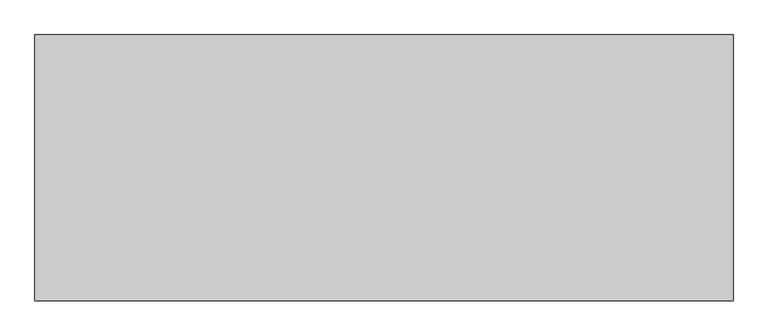
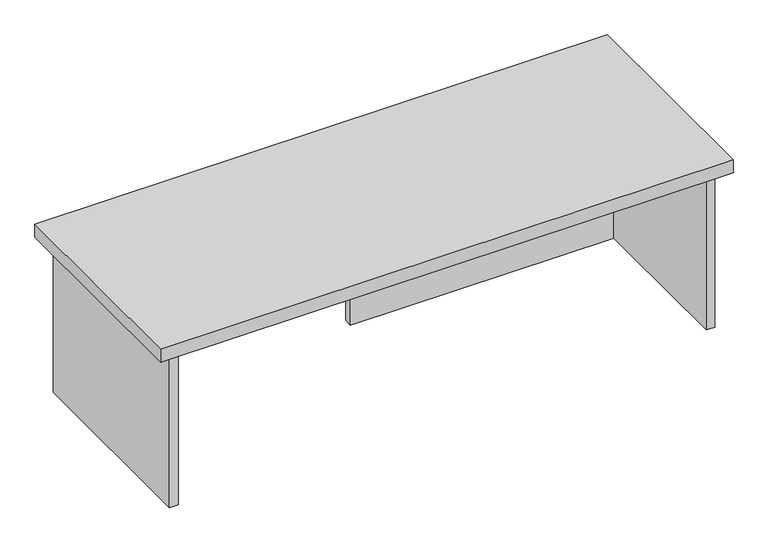
"""IFC4 building model written with IfcOpenShell, lengths in millimetres: furniture geometry."""

import ifcopenshell
import ifcopenshell.guid

model = None  # the IFC model being written
_history = None  # IfcOwnerHistory: only IFC2X3 demands one
_inside = {}  # id of a spatial element -> (the spatial element, [elements in it])
_under = {}  # id of a project, library or spatial element -> (it, [spatial elements below it])
_declared = {}  # id of a project -> (the project, [libraries it declares])
_typed = {}  # id of a type object -> (the type object, [elements of that type])
_made_of = {}  # id of a material, layer set ... -> (it, [elements and type objects made of it])


def new_model(schema):
    """Start an empty IFC model of exactly this schema.

    Asked for "IFC4X3", IfcOpenShell would pick the latest addendum, in which some entities
    have other attributes; the version numbers below select the first issue.
    IFC2X3 requires an IfcOwnerHistory on every rooted entity: one is made here for all.
    """
    global model, _history
    if schema == "IFC4X3":
        model = ifcopenshell.file(schema_version=(4, 3, 0, 0))
    else:
        model = ifcopenshell.file(schema=schema)
    _inside.clear()
    _under.clear()
    _declared.clear()
    _typed.clear()
    _made_of.clear()
    _history = None
    if model.schema == "IFC2X3":
        org = make("IfcOrganization", Name="unknown")
        user = make(
            "IfcPersonAndOrganization",
            ThePerson=make("IfcPerson", FamilyName="unknown"),
            TheOrganization=org,
        )
        app = make(
            "IfcApplication",
            ApplicationDeveloper=org,
            Version="unknown",
            ApplicationFullName="unknown",
            ApplicationIdentifier="unknown",
        )
        _history = make(
            "IfcOwnerHistory",
            OwningUser=user,
            OwningApplication=app,
            ChangeAction="ADDED",
            CreationDate=0,
        )
    return model


def make(cls, **values):
    """One entity of the class cls with the attributes given. An attribute that is None is left unset."""
    return model.create_entity(
        cls, **{name: value for name, value in values.items() if value is not None}
    )


def rooted(cls, **values):
    """An entity with a GlobalId (a new one), such as an element, a storey or a relation."""
    return make(cls, GlobalId=ifcopenshell.guid.new(), OwnerHistory=_history, **values)


def si_unit(unit_type, name, prefix=None):
    """IfcSIUnit, for example si_unit("LENGTHUNIT", "METRE", prefix="MILLI")."""
    return make("IfcSIUnit", UnitType=unit_type, Prefix=prefix, Name=name)


def assignment(units):
    """IfcUnitAssignment: the units of a project."""
    return None if units is None else make("IfcUnitAssignment", Units=units)


def point(xyz):
    """IfcCartesianPoint."""
    return None if xyz is None else make("IfcCartesianPoint", Coordinates=xyz)


def direction(xyz):
    """IfcDirection."""
    return None if xyz is None else make("IfcDirection", DirectionRatios=xyz)


def frame(location, z_axis=None, x_axis=None):
    """IfcAxis2Placement3D, a coordinate frame: its origin and axes. An axis left out is left unset."""
    return make(
        "IfcAxis2Placement3D",
        Location=point(location),
        Axis=direction(z_axis),
        RefDirection=direction(x_axis),
    )


def origin():
    """The frame at (0, 0, 0) with its axes left unset."""
    return frame((0.0, 0.0, 0.0))


def place(relative_to, where):
    """IfcLocalPlacement: puts the frame where relative to a parent placement (None: the world)."""
    return make(
        "IfcLocalPlacement", PlacementRelTo=relative_to, RelativePlacement=where
    )


def context(
    kind, dimensions, precision=None, world=None, true_north=None, identifier=None
):
    """IfcGeometricRepresentationContext, for example the 3D "Model" context."""
    return make(
        "IfcGeometricRepresentationContext",
        ContextIdentifier=identifier,
        ContextType=kind,
        CoordinateSpaceDimension=dimensions,
        Precision=precision,
        WorldCoordinateSystem=world,
        TrueNorth=true_north,
    )


def project(units=None, contexts=None):
    """IfcProject with its units and contexts."""
    return rooted(
        "IfcProject",
        Name="project",
        RepresentationContexts=contexts,
        UnitsInContext=assignment(units),
    )


def spatial(cls, under=None, at=None, **own):
    """A site, building, storey or space (cls), placed at a placement, below another one or the project."""
    s = rooted(cls, ObjectPlacement=at, **own)
    if under is not None:
        _under.setdefault(under.id(), (under, []))[1].append(s)
    return s


def polyline(points):
    """IfcPolyline through the points."""
    return make("IfcPolyline", Points=[point(p) for p in points])


def outline(outer, holes=None, kind="AREA"):
    """IfcArbitraryClosedProfileDef: a profile drawn as a closed curve; with holes, ...WithVoids."""
    if holes is None:
        return make("IfcArbitraryClosedProfileDef", ProfileType=kind, OuterCurve=outer)
    return make(
        "IfcArbitraryProfileDefWithVoids",
        ProfileType=kind,
        OuterCurve=outer,
        InnerCurves=holes,
    )


def extrude(swept, where, along, depth):
    """IfcExtrudedAreaSolid: the profile swept, set in the frame where, extruded along a direction by depth."""
    return make(
        "IfcExtrudedAreaSolid",
        SweptArea=swept,
        Position=where,
        ExtrudedDirection=direction(along),
        Depth=depth,
    )


def shape(context_of_items, identifier, shape_type, items):
    """IfcShapeRepresentation: the items that make up one representation, for example the "Body"."""
    return make(
        "IfcShapeRepresentation",
        ContextOfItems=context_of_items,
        RepresentationIdentifier=identifier,
        RepresentationType=shape_type,
        Items=items,
    )


def source(mapping_origin, context_of_items, identifier, shape_type, items):
    """IfcRepresentationMap: a shape defined once, which mapped items show again and again."""
    return make(
        "IfcRepresentationMap",
        MappingOrigin=mapping_origin,
        MappedRepresentation=shape(context_of_items, identifier, shape_type, items),
    )


def transform(
    local_origin,
    x_axis=None,
    y_axis=None,
    z_axis=None,
    scale=None,
    scale2=None,
    scale3=None,
    uniform=True,
):
    """IfcCartesianTransformationOperator3D, or its non-uniform kind. x_axis, y_axis, z_axis: its Axis1, 2, 3."""
    if uniform:
        return make(
            "IfcCartesianTransformationOperator3D",
            Axis1=direction(x_axis),
            Axis2=direction(y_axis),
            LocalOrigin=point(local_origin),
            Scale=scale,
            Axis3=direction(z_axis),
        )
    return make(
        "IfcCartesianTransformationOperator3DnonUniform",
        Axis1=direction(x_axis),
        Axis2=direction(y_axis),
        LocalOrigin=point(local_origin),
        Scale=scale,
        Axis3=direction(z_axis),
        Scale2=scale2,
        Scale3=scale3,
    )


def mapped(mapping_source, mapping_target):
    """IfcMappedItem: shows the shape of a source again, moved by a transform."""
    return make(
        "IfcMappedItem", MappingSource=mapping_source, MappingTarget=mapping_target
    )


def made_of(thing, what):
    """Note that an element or type object is made of a material, layer set ...; save() writes the relation."""
    if what is not None:
        _made_of.setdefault(what.id(), (what, []))[1].append(thing)
    return thing


def element(
    cls,
    number,
    at=None,
    inside=None,
    cuts=None,
    type_object=None,
    material=None,
    context=None,
    identifier="Body",
    shape_type=None,
    held_by="IfcProductDefinitionShape",
    body=None,
    shapes=None,
    **own,
):
    """One element of the class cls, such as IfcWall. Its Tag is "e" and its number.

    at: its placement. inside: the storey or other place that contains it. cuts: it is an
    opening in that element (IfcRelVoidsElement). A single representation is given by context,
    identifier, shape_type and body (its items); several are given by shapes. held_by: the class
    of the entity that holds the representations. save() writes the other relations.
    """
    e = rooted(cls, Tag="e%d" % number, ObjectPlacement=at, **own)
    if body is not None:
        shapes = [shape(context, identifier, shape_type, body)]
    if shapes is not None:
        e.Representation = make(held_by, Representations=shapes)
    if inside is not None:
        _inside.setdefault(inside.id(), (inside, []))[1].append(e)
    if cuts is not None:
        rooted(
            "IfcRelVoidsElement", RelatingBuildingElement=cuts, RelatedOpeningElement=e
        )
    if type_object is not None:
        _typed.setdefault(type_object.id(), (type_object, []))[1].append(e)
    return made_of(e, material)


def aggregate(whole, parts):
    """IfcRelAggregates: a whole, such as a stair, and the parts it consists of."""
    return rooted("IfcRelAggregates", RelatingObject=whole, RelatedObjects=parts)


def save(model, path):
    """Write the relations noted so far, then the file.

    IfcRelAggregates (storeys below a building ...), IfcRelContainedInSpatialStructure (elements
    in a storey), IfcRelDefinesByType, IfcRelAssociatesMaterial and IfcRelDeclares: one each for
    every whole, place, type object, material and project.
    """
    for whole, parts in _under.values():
        aggregate(whole, parts)
    for where, things in _inside.values():
        rooted(
            "IfcRelContainedInSpatialStructure",
            RelatedElements=things,
            RelatingStructure=where,
        )
    for kind, things in _typed.values():
        rooted("IfcRelDefinesByType", RelatedObjects=things, RelatingType=kind)
    for what, things in _made_of.values():
        rooted("IfcRelAssociatesMaterial", RelatedObjects=things, RelatingMaterial=what)
    for by, libraries in _declared.values():
        rooted("IfcRelDeclares", RelatingContext=by, RelatedDefinitions=libraries)
    model.write(path)


def furniture_25d41c0d(model_context):
    return source(origin(), model_context, "Body", "SweptSolid", [
        extrude(outline(polyline([(695.325, 0.0), (695.325, -406.4), (-371.475, -406.4), (-371.475, 0.0), (695.325, 0.0)])), frame((0.0, 0.0, 736.6), z_axis=(0.0, 0.0, 1.0), x_axis=(1.0, 0.0, 0.0)), (0.0, 0.0, 1.0), 25.4),
        extrude(outline(polyline([(163.5125, -76.2), (654.05, -76.2), (654.05, -92.075), (163.5125, -92.075), (163.5125, -76.2)])), frame((0.0, 0.0, 431.8), z_axis=(0.0, 0.0, 1.0), x_axis=(1.0, 0.0, 0.0)), (0.0, 0.0, 1.0), 304.8),
        extrude(outline(polyline([(669.925, -390.525), (654.05, -390.525), (654.05, -15.875), (669.925, -15.875), (669.925, -390.525)])), frame((0.0, 0.0, 431.8), z_axis=(0.0, 0.0, 1.0), x_axis=(1.0, 0.0, 0.0)), (0.0, 0.0, 1.0), 304.8),
        extrude(outline(polyline([(-330.2, -390.525), (-346.075, -390.525), (-346.075, -15.875), (-330.2, -15.875), (-330.2, -390.525)])), frame((0.0, 0.0, 431.8), z_axis=(0.0, 0.0, 1.0), x_axis=(1.0, 0.0, 0.0)), (0.0, 0.0, 1.0), 304.8),
    ])


if __name__ == "__main__":
    model = new_model("IFC4")
    model_context = context("Model", 3, world=origin())
    ifc_project = project(units=[si_unit("LENGTHUNIT", "METRE", prefix="MILLI")], contexts=[model_context])
    site = spatial("IfcSite", under=ifc_project)
    building = spatial("IfcBuilding", under=site)
    placement = place(None, origin())
    furniture_shape = furniture_25d41c0d(model_context)
    element("IfcFurniture", 1, at=placement, inside=building, context=model_context, shape_type="MappedRepresentation", body=[
        mapped(furniture_shape, transform((0.0, 0.0, 0.0), x_axis=(1.0, 0.0, 0.0), y_axis=(0.0, 1.0, 0.0), z_axis=(0.0, 0.0, 1.0))),
    ])
    save(model, "model.ifc")
